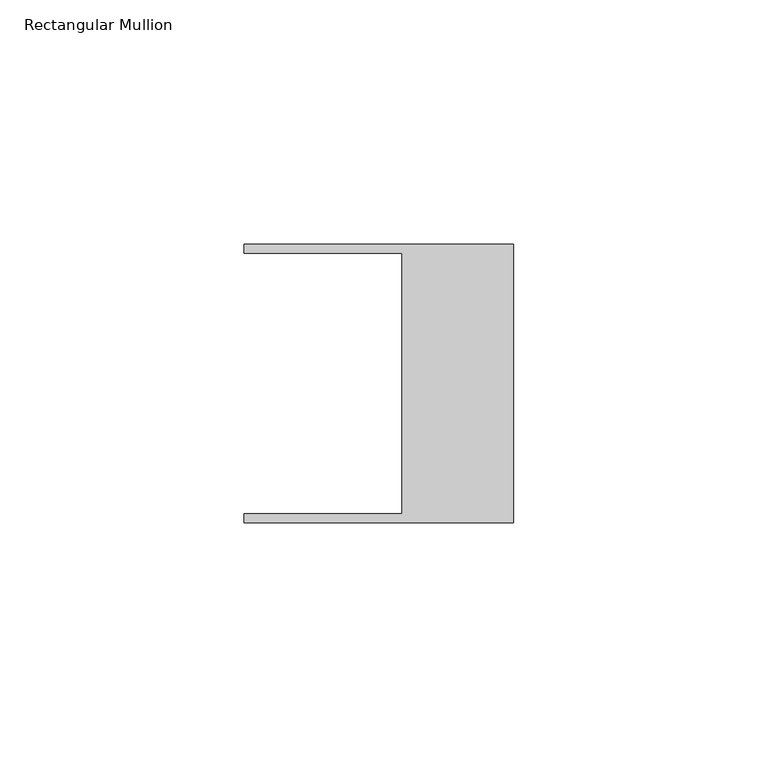
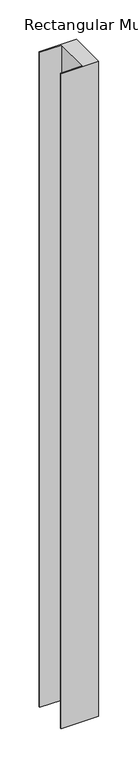
"""IFC4 building model written with IfcOpenShell, lengths in millimetres: member geometry, Rectangular Mullion."""

from ifc_helpers import new_model, si_unit, frame, origin, place, context, project, spatial, polyline, outline, extrude, source, transform, mapped, element, save


def rectangular_mullion_27827686(model_context):
    return source(origin(), model_context, "Body", "SweptSolid", [
        extrude(outline(polyline([(-55.118, 26.67), (-55.118, 28.448), (0.0, 28.448), (0.0, -28.448), (-55.118, -28.448), (-55.118, -26.67), (-22.86, -26.67), (-22.86, 26.67), (-55.118, 26.67)])), frame((0.0, 0.0, -1020.4958), z_axis=(0.0, 0.0, 1.0), x_axis=(1.0, 0.0, 0.0)), (0.0, 0.0, 1.0), 1020.4958),
    ])


if __name__ == "__main__":
    model = new_model("IFC4")
    model_context = context("Model", 3, world=origin())
    ifc_project = project(units=[si_unit("LENGTHUNIT", "METRE", prefix="MILLI")], contexts=[model_context])
    site = spatial("IfcSite", under=ifc_project)
    building = spatial("IfcBuilding", under=site)
    placement = place(None, origin())
    rectangular_mullion_shape = rectangular_mullion_27827686(model_context)
    element("IfcMember", 1, ObjectType="Rectangular Mullion", at=placement, inside=building, context=model_context, shape_type="MappedRepresentation", body=[
        mapped(rectangular_mullion_shape, transform((0.0, 0.0, 0.0), x_axis=(1.0, 0.0, 0.0), y_axis=(0.0, 1.0, 0.0), z_axis=(0.0, 0.0, 1.0))),
    ])
    save(model, "model.ifc")
